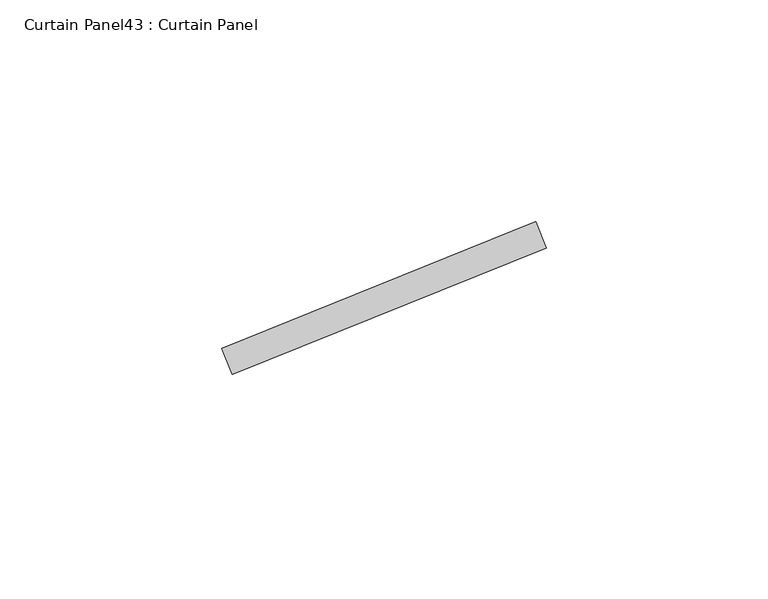
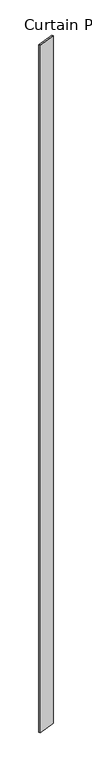
"""IFC4 building model written with IfcOpenShell, lengths in millimetres: plate geometry, Curtain Panel43 : Curtain Panel."""

from ifc_helpers import new_model, si_unit, frame, origin, place, context, project, spatial, polyline, outline, extrude, source, transform, mapped, element, save


def curtain_panel43_curtain_panel_c1f3ad2b(model_context):
    return source(origin(), model_context, "Body", "SweptSolid", [
        extrude(outline(polyline([(910452.3451042, 2122.9326697), (910381.6966565, 2094.380317), (910379.3172938, 2100.2676877), (910449.9657414, 2128.8200403), (910452.3451042, 2122.9326697)])), frame((0.0, 0.0, 3136.8926964), z_axis=(0.0, 0.0, 1.0), x_axis=(1.0, 0.0, 0.0)), (0.0, 0.0, 1.0), 3048.0),
    ])


if __name__ == "__main__":
    model = new_model("IFC4")
    model_context = context("Model", 3, world=origin())
    ifc_project = project(units=[si_unit("LENGTHUNIT", "METRE", prefix="MILLI")], contexts=[model_context])
    site = spatial("IfcSite", under=ifc_project)
    building = spatial("IfcBuilding", under=site)
    placement = place(None, origin())
    curtain_panel43_curtain_panel_shape = curtain_panel43_curtain_panel_c1f3ad2b(model_context)
    element("IfcPlate", 1, ObjectType="Curtain Panel43 : Curtain Panel", at=placement, inside=building, context=model_context, shape_type="MappedRepresentation", body=[
        mapped(curtain_panel43_curtain_panel_shape, transform((0.0, 0.0, 0.0), x_axis=(1.0, 0.0, 0.0), y_axis=(0.0, 1.0, 0.0), z_axis=(0.0, 0.0, 1.0))),
    ])
    save(model, "model.ifc")
